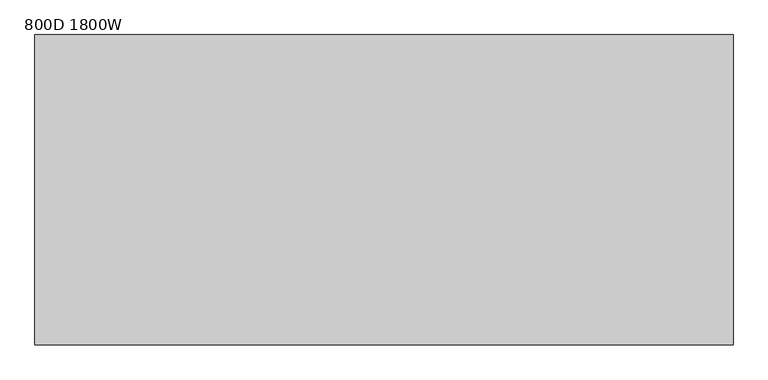
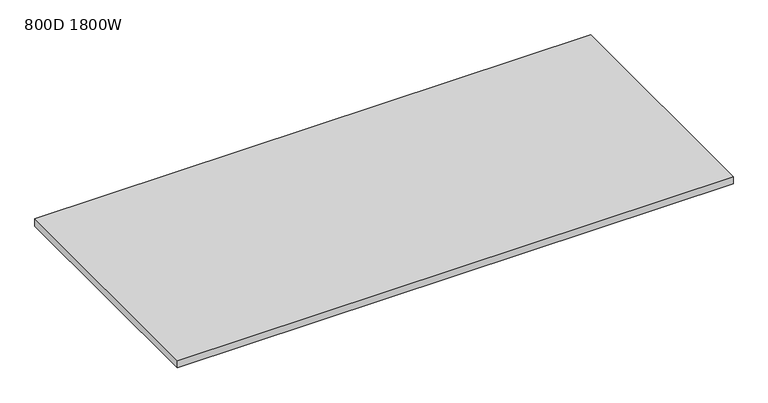
"""IFC4 building model written with IfcOpenShell, lengths in millimetres: furniture geometry, 800D 1800W."""

from ifc_helpers import new_model, si_unit, frame, origin, place, context, project, spatial, polyline, outline, extrude, source, transform, mapped, element, save


def furniture_800d_1800w_61638ac9(model_context):
    return source(origin(), model_context, "Body", "SweptSolid", [
        extrude(outline(polyline([(-900.0, 800.0), (900.0, 800.0), (900.0, 0.0), (-900.0, 0.0), (-900.0, 800.0)])), frame((0.0, 0.0, 715.0), z_axis=(0.0, 0.0, 1.0), x_axis=(1.0, 0.0, 0.0)), (0.0, 0.0, 1.0), 25.0),
    ])


if __name__ == "__main__":
    model = new_model("IFC4")
    model_context = context("Model", 3, world=origin())
    ifc_project = project(units=[si_unit("LENGTHUNIT", "METRE", prefix="MILLI")], contexts=[model_context])
    site = spatial("IfcSite", under=ifc_project)
    building = spatial("IfcBuilding", under=site)
    placement = place(None, origin())
    furniture_800d_1800w_shape = furniture_800d_1800w_61638ac9(model_context)
    element("IfcFurniture", 1, ObjectType="800D 1800W", at=placement, inside=building, context=model_context, shape_type="MappedRepresentation", body=[
        mapped(furniture_800d_1800w_shape, transform((0.0, 0.0, 0.0), x_axis=(1.0, 0.0, 0.0), y_axis=(0.0, 1.0, 0.0), z_axis=(0.0, 0.0, 1.0))),
    ])
    save(model, "model.ifc")
